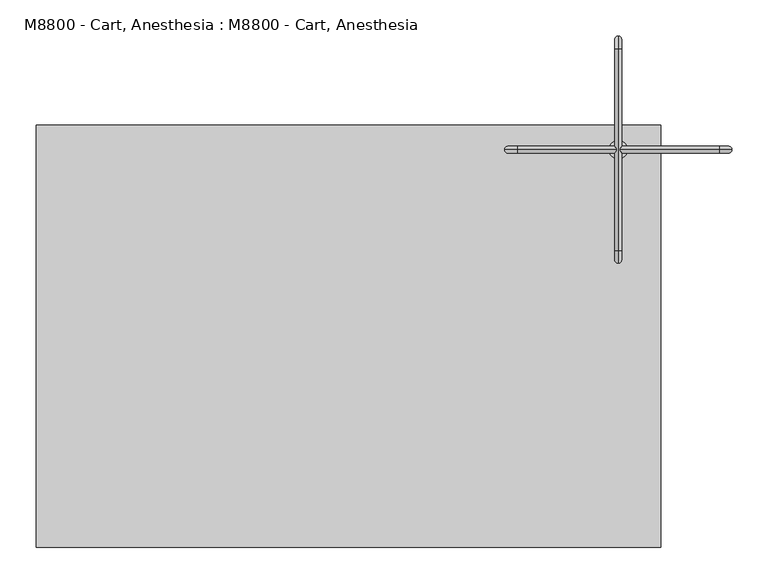
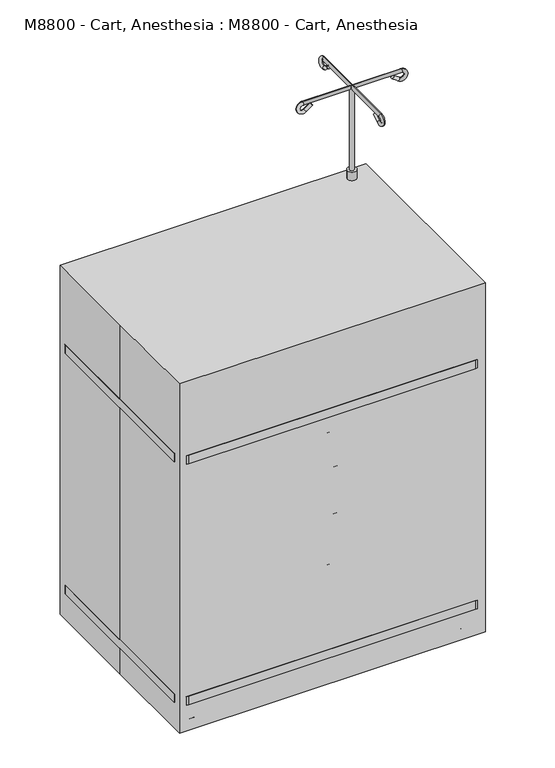
"""IFC4 building model written with IfcOpenShell, lengths in millimetres: proxy geometry, M8800 - Cart, Anesthesia : M8800 - Cart, Anesthesia."""

from ifc_helpers import new_model, si_unit, point, frame, frame_2d, origin, origin_with_axes, place, context, project, spatial, polyline, circle_curve, ellipse_curve, trimmed, segment, composite_curve, outline, extrude, source, transform, mapped, element, save
from ifc_brep_helpers import plane_surface, cylinder_surface, revolved_surface, advanced_brep


def m8800_cart_anesthesia_m8800_cart_anesthesia_55c53cb3(model_context):
    return source(origin(), model_context, "Body", "SolidModel", [
        extrude(outline(composite_curve([segment(trimmed(circle_curve(frame_2d((372.8549743, 257.8577972)), 6.35), [point((366.5049743, 257.8577972))], [point((379.2049743, 257.8577972))], False, "CARTESIAN"), True, "CONTINUOUS"), segment(trimmed(circle_curve(frame_2d((372.8549743, 257.8577972)), 6.35), [point((379.2049743, 257.8577972))], [point((366.5049743, 257.8577972))], False, "CARTESIAN"), True, "CONTINUOUS")], self_intersect=False)), frame((0.0, 0.0, 1066.8), z_axis=(0.0, 0.0, 1.0), x_axis=(1.0, 0.0, 0.0)), (0.0, 0.0, 1.0), 247.65),
        advanced_brep(
        [(372.8549743, 375.3332189, 1305.9580135), (372.8549743, 369.7574508, 1298.2355504), (372.8549743, 392.9113238, 1293.2662808), (372.8549743, 387.3355558, 1285.5438178), (372.8549743, 397.5577972, 1317.1641667), (372.8549743, 397.5577972, 1307.6391667), (372.8549743, 118.1577972, 1307.6391667), (372.8549743, 118.1577972, 1317.1641667), (372.8549743, 128.3800387, 1285.5438178), (372.8549743, 122.8042706, 1293.2662808), (372.8549743, 140.3823755, 1305.9580135), (372.8549743, 145.9581436, 1298.2355504)],
        [
            (0, 1, circle_curve(frame((372.8549743, 372.5453349, 1302.096782), z_axis=(0.0, -0.8107572744902805, 0.5853824748496425), x_axis=(0.0, -0.5853824748496425, -0.8107572744902805)), 4.7625)),
            (1, 0, circle_curve(frame((372.8549743, 372.5453349, 1302.096782), z_axis=(0.0, -0.8107572744902805, 0.5853824748496425), x_axis=(0.0, -0.5853824748496425, -0.8107572744902805)), 4.7625)),
            (0, 2),
            (2, 3, circle_curve(frame((372.8549743, 390.1234398, 1289.4050493), z_axis=(0.0, -0.8107572744902805, 0.5853824748496425), x_axis=(0.0, -0.5853824748496425, -0.8107572744902805)), 4.7625)),
            (3, 1),
            (3, 2, circle_curve(frame((372.8549743, 390.1234398, 1289.4050493), z_axis=(0.0, -0.8107572744902805, 0.5853824748496425), x_axis=(0.0, -0.5853824748496425, -0.8107572744902805)), 4.7625)),
            (4, 3, circle_curve(frame((372.8549743, 397.5577972, 1299.7016667), z_axis=(-1.0, 0.0, 0.0), x_axis=(0.0, -0.5853824748496496, -0.8107572744902752)), 17.4625)),
            (2, 5, circle_curve(frame((372.8549743, 397.5577972, 1299.7016667), z_axis=(1.0, 0.0, 0.0), x_axis=(0.0, -0.5853824748496496, -0.8107572744902752)), 7.9375)),
            (5, 4, circle_curve(frame((372.8549743, 397.5577972, 1312.4016667), z_axis=(0.0, 1.0, 0.0), x_axis=(0.0, 0.0, 1.0)), 4.7625)),
            (4, 5, circle_curve(frame((372.8549743, 397.5577972, 1312.4016667), z_axis=(0.0, 1.0, 0.0), x_axis=(0.0, 0.0, 1.0)), 4.7625)),
            (5, 6),
            (6, 7, circle_curve(frame((372.8549743, 118.1577972, 1312.4016667), z_axis=(0.0, 1.0, 0.0), x_axis=(0.0, 0.0, 1.0)), 4.7625)),
            (7, 4),
            (7, 6, circle_curve(frame((372.8549743, 118.1577972, 1312.4016667), z_axis=(0.0, 1.0, 0.0), x_axis=(0.0, 0.0, 1.0)), 4.7625)),
            (8, 7, circle_curve(frame((372.8549743, 118.1577972, 1299.7016667), z_axis=(-1.0, 0.0, 0.0), x_axis=(0.0, 0.0, 1.0)), 17.4625)),
            (6, 9, circle_curve(frame((372.8549743, 118.1577972, 1299.7016667), z_axis=(1.0, 0.0, 0.0), x_axis=(0.0, 0.0, 1.0)), 7.9375)),
            (9, 8, circle_curve(frame((372.8549743, 125.5921547, 1289.4050493), z_axis=(0.0, -0.8107572744906105, -0.585382474849185), x_axis=(0.0, 0.585382474849185, -0.8107572744906105)), 4.7625)),
            (8, 9, circle_curve(frame((372.8549743, 125.5921547, 1289.4050493), z_axis=(0.0, -0.8107572744895717, -0.5853824748506239), x_axis=(0.0, 0.5853824748506239, -0.8107572744895717)), 4.7625)),
            (10, 11, circle_curve(frame((372.8549743, 143.1702596, 1302.096782), z_axis=(0.0, 0.8107572744898957, 0.5853824748501752), x_axis=(0.0, 0.5853824748501752, -0.8107572744898957)), 4.7625)),
            (11, 10, circle_curve(frame((372.8549743, 143.1702596, 1302.096782), z_axis=(0.0, 0.8107572744898957, 0.5853824748501752), x_axis=(0.0, 0.5853824748501752, -0.8107572744898957)), 4.7625)),
            (9, 10),
            (11, 8),
        ],
        [
            plane_surface(frame((639.5549743, 372.5453349, 1302.096782), z_axis=(0.0, -0.8107572744902805, 0.5853824748496425), x_axis=(-1.0, 0.0, 0.0))),
            cylinder_surface(frame((372.8549743, 372.5453349, 1302.096782), z_axis=(0.0, -0.8107572744902805, 0.5853824748496425), x_axis=(0.0, -0.5853824748496425, -0.8107572744902805)), 4.7625),
            revolved_surface(trimmed(ellipse_curve(frame((372.8549743, 390.1234398, 1289.4050493), z_axis=(0.0, -0.8107572744902751, 0.5853824748496497), x_axis=(0.0, -0.5853824748496497, -0.8107572744902751)), 4.7625, 4.7625), [point((372.8549743, 392.9113238, 1293.2662808))], [point((372.8549743, 387.3355558, 1285.5438178))], True, "CARTESIAN"), (639.5549743, 397.5577972, 1299.7016667), (1.0, 0.0, 0.0)),
            revolved_surface(trimmed(ellipse_curve(frame((372.8549743, 390.1234398, 1289.4050493), z_axis=(0.0, -0.8107572744902751, 0.5853824748496497), x_axis=(0.0, -0.5853824748496497, -0.8107572744902751)), 4.7625, 4.7625), [point((372.8549743, 387.3355558, 1285.5438178))], [point((372.8549743, 392.9113238, 1293.2662808))], True, "CARTESIAN"), (639.5549743, 397.5577972, 1299.7016667), (1.0, 0.0, 0.0)),
            cylinder_surface(frame((372.8549743, 397.5577972, 1312.4016667), z_axis=(0.0, 1.0, 0.0), x_axis=(0.0, 0.0, 1.0)), 4.7625),
            revolved_surface(trimmed(ellipse_curve(frame((372.8549743, 118.1577972, 1312.4016667), z_axis=(0.0, 1.0, 0.0), x_axis=(0.0, 0.0, 1.0)), 4.7625, 4.7625), [point((372.8549743, 118.1577972, 1307.6391667))], [point((372.8549743, 118.1577972, 1317.1641667))], True, "CARTESIAN"), (639.5549743, 118.1577972, 1299.7016667), (1.0, 0.0, 0.0)),
            revolved_surface(trimmed(ellipse_curve(frame((372.8549743, 118.1577972, 1312.4016667), z_axis=(0.0, 1.0, 0.0), x_axis=(0.0, 0.0, 1.0)), 4.7625, 4.7625), [point((372.8549743, 118.1577972, 1317.1641667))], [point((372.8549743, 118.1577972, 1307.6391667))], True, "CARTESIAN"), (639.5549743, 118.1577972, 1299.7016667), (1.0, 0.0, 0.0)),
            plane_surface(frame((639.5549743, 143.1702596, 1302.096782), z_axis=(0.0, 0.8107572744898955, 0.5853824748501754), x_axis=(-1.0, 0.0, 0.0))),
            cylinder_surface(frame((372.8549743, 125.5921547, 1289.4050493), z_axis=(0.0, -0.8107572744898957, -0.5853824748501752), x_axis=(0.0, 0.5853824748501752, -0.8107572744898957)), 4.7625),
        ],
        [
            (0, [[1, 2]]),
            (1, [[-1, 3, 4, 5]]),
            (1, [[-2, -5, 6, -3]]),
            (2, [[7, -4, 8, 9]]),
            (3, [[-8, -6, -7, 10]]),
            (4, [[-9, 11, 12, 13]]),
            (4, [[-10, -13, 14, -11]]),
            (5, [[15, -12, 16, 17]]),
            (6, [[-16, -14, -15, 18]]),
            (7, [[19, 20]]),
            (8, [[-17, 21, -20, 22]]),
            (8, [[-18, -22, -19, -21]]),
        ],
    ),
        advanced_brep(
        [(255.3795526, 257.8577972, 1305.9580135), (260.9553207, 257.8577972, 1298.2355504), (237.8014477, 257.8577972, 1293.2662808), (243.3772158, 257.8577972, 1285.5438178), (233.1549743, 257.8577972, 1317.1641667), (233.1549743, 257.8577972, 1307.6391667), (512.5549743, 257.8577972, 1307.6391667), (512.5549743, 257.8577972, 1317.1641667), (502.3327328, 257.8577972, 1285.5438178), (507.9085009, 257.8577972, 1293.2662808), (490.330396, 257.8577972, 1305.9580135), (484.7546279, 257.8577972, 1298.2355504)],
        [
            (0, 1, circle_curve(frame((258.1674367, 257.8577972, 1302.096782), z_axis=(0.810757274490287, 0.0, 0.5853824748496332), x_axis=(0.5853824748496332, 0.0, -0.810757274490287)), 4.7625)),
            (1, 0, circle_curve(frame((258.1674367, 257.8577972, 1302.096782), z_axis=(0.810757274490287, 0.0, 0.5853824748496332), x_axis=(0.5853824748496332, 0.0, -0.810757274490287)), 4.7625)),
            (0, 2),
            (2, 3, circle_curve(frame((240.5893317, 257.8577972, 1289.4050493), z_axis=(0.810757274490287, 0.0, 0.5853824748496332), x_axis=(0.5853824748496332, 0.0, -0.810757274490287)), 4.7625)),
            (3, 1),
            (3, 2, circle_curve(frame((240.5893317, 257.8577972, 1289.4050493), z_axis=(0.810757274490287, 0.0, 0.5853824748496332), x_axis=(0.5853824748496332, 0.0, -0.810757274490287)), 4.7625)),
            (4, 3, circle_curve(frame((233.1549743, 257.8577972, 1299.7016667), z_axis=(0.0, -1.0, 0.0), x_axis=(0.5853824748496301, 0.0, -0.8107572744902892)), 17.4625)),
            (2, 5, circle_curve(frame((233.1549743, 257.8577972, 1299.7016667), z_axis=(0.0, 1.0, 0.0), x_axis=(0.5853824748496301, 0.0, -0.8107572744902892)), 7.9375)),
            (5, 4, circle_curve(frame((233.1549743, 257.8577972, 1312.4016667), z_axis=(-1.0, 0.0, 0.0), x_axis=(0.0, 0.0, 1.0)), 4.7625)),
            (4, 5, circle_curve(frame((233.1549743, 257.8577972, 1312.4016667), z_axis=(-1.0, 0.0, 0.0), x_axis=(0.0, 0.0, 1.0)), 4.7625)),
            (5, 6),
            (6, 7, circle_curve(frame((512.5549743, 257.8577972, 1312.4016667), z_axis=(-1.0, 0.0, 0.0), x_axis=(0.0, 0.0, 1.0)), 4.7625)),
            (7, 4),
            (7, 6, circle_curve(frame((512.5549743, 257.8577972, 1312.4016667), z_axis=(-1.0, 0.0, 0.0), x_axis=(0.0, 0.0, 1.0)), 4.7625)),
            (8, 7, circle_curve(frame((512.5549743, 257.8577972, 1299.7016667), z_axis=(0.0, -1.0, 0.0), x_axis=(0.0, 0.0, 1.0)), 17.4625)),
            (6, 9, circle_curve(frame((512.5549743, 257.8577972, 1299.7016667), z_axis=(0.0, 1.0, 0.0), x_axis=(0.0, 0.0, 1.0)), 7.9375)),
            (9, 8, circle_curve(frame((505.1206169, 257.8577972, 1289.4050493), z_axis=(0.8107572744899163, 0.0, -0.5853824748501466), x_axis=(-0.5853824748501466, 0.0, -0.8107572744899163)), 4.7625)),
            (8, 9, circle_curve(frame((505.1206169, 257.8577972, 1289.4050493), z_axis=(0.8107572744899113, 0.0, -0.5853824748501535), x_axis=(-0.5853824748501535, 0.0, -0.8107572744899113)), 4.7625)),
            (10, 11, circle_curve(frame((487.5425119, 257.8577972, 1302.096782), z_axis=(-0.8107572744899004, 0.0, 0.5853824748501685), x_axis=(-0.5853824748501685, 0.0, -0.8107572744899004)), 4.7625)),
            (11, 10, circle_curve(frame((487.5425119, 257.8577972, 1302.096782), z_axis=(-0.8107572744899004, 0.0, 0.5853824748501685), x_axis=(-0.5853824748501685, 0.0, -0.8107572744899004)), 4.7625)),
            (9, 10),
            (11, 8),
        ],
        [
            plane_surface(frame((258.1674367, 473.7577972, 1302.096782), z_axis=(0.810757274490287, 0.0, 0.5853824748496332), x_axis=(0.0, -1.0, 0.0))),
            cylinder_surface(frame((258.1674367, 257.8577972, 1302.096782), z_axis=(0.810757274490287, 0.0, 0.5853824748496332), x_axis=(0.5853824748496332, 0.0, -0.810757274490287)), 4.7625),
            revolved_surface(trimmed(ellipse_curve(frame((240.5893317, 257.8577972, 1289.4050493), z_axis=(0.8107572744902892, 0.0, 0.5853824748496301), x_axis=(0.5853824748496301, 0.0, -0.8107572744902892)), 4.7625, 4.7625), [point((237.8014477, 257.8577972, 1293.2662808))], [point((243.3772158, 257.8577972, 1285.5438178))], True, "CARTESIAN"), (233.1549743, 473.7577972, 1299.7016667), (0.0, 1.0, 0.0)),
            revolved_surface(trimmed(ellipse_curve(frame((240.5893317, 257.8577972, 1289.4050493), z_axis=(0.8107572744902892, 0.0, 0.5853824748496301), x_axis=(0.5853824748496301, 0.0, -0.8107572744902892)), 4.7625, 4.7625), [point((243.3772158, 257.8577972, 1285.5438178))], [point((237.8014477, 257.8577972, 1293.2662808))], True, "CARTESIAN"), (233.1549743, 473.7577972, 1299.7016667), (0.0, 1.0, 0.0)),
            cylinder_surface(frame((233.1549743, 257.8577972, 1312.4016667), z_axis=(-1.0, 0.0, 0.0), x_axis=(0.0, 0.0, 1.0)), 4.7625),
            revolved_surface(trimmed(ellipse_curve(frame((512.5549743, 257.8577972, 1312.4016667), z_axis=(-1.0, 0.0, 0.0), x_axis=(0.0, 0.0, 1.0)), 4.7625, 4.7625), [point((512.5549743, 257.8577972, 1307.6391667))], [point((512.5549743, 257.8577972, 1317.1641667))], True, "CARTESIAN"), (512.5549743, 473.7577972, 1299.7016667), (0.0, 1.0, 0.0)),
            revolved_surface(trimmed(ellipse_curve(frame((512.5549743, 257.8577972, 1312.4016667), z_axis=(-1.0, 0.0, 0.0), x_axis=(0.0, 0.0, 1.0)), 4.7625, 4.7625), [point((512.5549743, 257.8577972, 1317.1641667))], [point((512.5549743, 257.8577972, 1307.6391667))], True, "CARTESIAN"), (512.5549743, 473.7577972, 1299.7016667), (0.0, 1.0, 0.0)),
            plane_surface(frame((487.5425119, 473.7577972, 1302.096782), z_axis=(-0.8107572744899004, 0.0, 0.5853824748501685), x_axis=(0.0, -1.0, 0.0))),
            cylinder_surface(frame((505.1206169, 257.8577972, 1289.4050493), z_axis=(0.8107572744899004, 0.0, -0.5853824748501685), x_axis=(-0.5853824748501685, 0.0, -0.8107572744899004)), 4.7625),
        ],
        [
            (0, [[1, 2]]),
            (1, [[-1, 3, 4, 5]]),
            (1, [[-2, -5, 6, -3]]),
            (2, [[7, -4, 8, 9]]),
            (3, [[-8, -6, -7, 10]]),
            (4, [[-9, 11, 12, 13]]),
            (4, [[-10, -13, 14, -11]]),
            (5, [[15, -12, 16, 17]]),
            (6, [[-16, -14, -15, 18]]),
            (7, [[19, 20]]),
            (8, [[-17, 21, -20, 22]]),
            (8, [[-18, -22, -19, -21]]),
        ],
    ),
        extrude(outline(polyline([(820.0646026, -381.0), (820.0646026, -374.65), (966.1146026, -374.65), (966.1146026, 120.65), (820.0646026, 120.65), (820.0646026, 127.0), (972.4646026, 127.0), (972.4646026, -381.0), (820.0646026, -381.0)])), frame((0.0, 232.4577972, 0.0), z_axis=(0.0, 1.0, 0.0), x_axis=(0.0, 0.0, 1.0)), (0.0, 0.0, 1.0), 25.4),
        extrude(outline(composite_curve([segment(trimmed(circle_curve(frame_2d((404.3351605, 266.7)), 25.4), [point((404.3351605, 292.1))], [point((429.7351605, 266.7))], False, "CARTESIAN"), True, "CONTINUOUS"), segment(polyline([(429.7351605, 266.7), (429.7351605, -266.9423102)]), True, "CONTINUOUS"), segment(trimmed(circle_curve(frame_2d((404.3351605, -266.9423102)), 25.4), [point((429.7351605, -266.9423102))], [point((404.3351605, -292.3423102))], False, "CARTESIAN"), True, "CONTINUOUS"), segment(polyline([(404.3351605, -292.3423102), (-406.4, -292.3423102)]), True, "CONTINUOUS"), segment(trimmed(circle_curve(frame_2d((-406.4, -266.9423102)), 25.4), [point((-406.4, -292.3423102))], [point((-431.8, -266.9423102))], False, "CARTESIAN"), True, "CONTINUOUS"), segment(polyline([(-431.8, -266.9423102), (-431.8, 266.7)]), True, "CONTINUOUS"), segment(trimmed(circle_curve(frame_2d((-406.4, 266.7)), 25.4), [point((-431.8, 266.7))], [point((-406.4, 292.1))], False, "CARTESIAN"), True, "CONTINUOUS"), segment(polyline([(-406.4, 292.1), (404.3351605, 292.1)]), True, "CONTINUOUS")], self_intersect=False)), frame((0.0, 0.0, 794.6646026), z_axis=(0.0, 0.0, 1.0), x_axis=(1.0, 0.0, 0.0)), (0.0, 0.0, 1.0), 25.4),
        extrude(outline(polyline([(-387.35, 260.35), (387.35, 260.35), (387.35, 241.3), (-387.35, 241.3), (-387.35, 260.35)])), frame((0.0, 0.0, 101.6), z_axis=(0.0, 0.0, 1.0), x_axis=(1.0, 0.0, 0.0)), (0.0, 0.0, 1.0), 693.0646026),
        extrude(outline(polyline([(406.4, 260.35), (406.4, -247.65), (387.35, -247.65), (387.35, 260.35), (406.4, 260.35)])), frame((0.0, 0.0, 101.6), z_axis=(0.0, 0.0, 1.0), x_axis=(1.0, 0.0, 0.0)), (0.0, 0.0, 1.0), 693.0646026),
        extrude(outline(polyline([(-387.35, 260.35), (-387.35, -247.65), (-406.4, -247.65), (-406.4, 260.35), (-387.35, 260.35)])), frame((0.0, 0.0, 101.6), z_axis=(0.0, 0.0, 1.0), x_axis=(1.0, 0.0, 0.0)), (0.0, 0.0, 1.0), 693.0646026),
        extrude(outline(polyline([(228.6, 31.75), (215.9, 31.75), (208.0622657, 76.2), (236.4377343, 76.2), (228.6, 31.75)])), frame((-374.65, 0.0, 0.0), z_axis=(1.0, 0.0, 0.0), x_axis=(0.0, 1.0, 0.0)), (0.0, 0.0, 1.0), 3.175),
        extrude(outline(polyline([(228.6, 31.75), (215.9, 31.75), (208.0622657, 76.2), (236.4377343, 76.2), (228.6, 31.75)])), frame((-390.525, 0.0, 0.0), z_axis=(1.0, 0.0, 0.0), x_axis=(0.0, 1.0, 0.0)), (0.0, 0.0, 1.0), 3.175),
        extrude(outline(composite_curve([segment(trimmed(circle_curve(frame_2d((222.25, 31.75)), 31.75), [point((254.0, 31.75))], [point((190.5, 31.75))], False, "CARTESIAN"), True, "CONTINUOUS"), segment(trimmed(circle_curve(frame_2d((222.25, 31.75)), 31.75), [point((190.5, 31.75))], [point((254.0, 31.75))], False, "CARTESIAN"), True, "CONTINUOUS")], self_intersect=False)), frame((-387.35, 0.0, 0.0), z_axis=(1.0, 0.0, 0.0), x_axis=(0.0, 1.0, 0.0)), (0.0, 0.0, 1.0), 12.7),
        extrude(outline(polyline([(228.6, 31.75), (215.9, 31.75), (208.0622657, 76.2), (236.4377343, 76.2), (228.6, 31.75)])), frame((365.125, 0.0, 0.0), z_axis=(1.0, 0.0, 0.0), x_axis=(0.0, 1.0, 0.0)), (0.0, 0.0, 1.0), 3.175),
        extrude(outline(polyline([(228.6, 31.75), (215.9, 31.75), (208.0622657, 76.2), (236.4377343, 76.2), (228.6, 31.75)])), frame((381.0, 0.0, 0.0), z_axis=(1.0, 0.0, 0.0), x_axis=(0.0, 1.0, 0.0)), (0.0, 0.0, 1.0), 3.175),
        extrude(outline(composite_curve([segment(trimmed(circle_curve(frame_2d((222.25, 31.75)), 31.75), [point((254.0, 31.75))], [point((190.5, 31.75))], False, "CARTESIAN"), True, "CONTINUOUS"), segment(trimmed(circle_curve(frame_2d((222.25, 31.75)), 31.75), [point((190.5, 31.75))], [point((254.0, 31.75))], False, "CARTESIAN"), True, "CONTINUOUS")], self_intersect=False)), frame((368.3, 0.0, 0.0), z_axis=(1.0, 0.0, 0.0), x_axis=(0.0, 1.0, 0.0)), (0.0, 0.0, 1.0), 12.7),
        extrude(outline(composite_curve([segment(polyline([(76.2, -260.35), (86.3693377, -260.35)]), True, "CONTINUOUS"), segment(trimmed(circle_curve(frame_2d((0.0, -158.75)), 133.35), [point((86.3693377, -260.35))], [point((-86.3693377, -260.35))], False, "CARTESIAN"), True, "CONTINUOUS"), segment(polyline([(-86.3693377, -260.35), (-76.2, -260.35)]), True, "CONTINUOUS"), segment(trimmed(circle_curve(frame_2d((0.0, -158.75)), 127.0), [point((-76.2, -260.35))], [point((76.2, -260.35))], True, "CARTESIAN"), True, "CONTINUOUS")], self_intersect=False)), frame((0.0, 0.0, 736.6), z_axis=(0.0, 0.0, 1.0), x_axis=(1.0, 0.0, 0.0)), (0.0, 0.0, 1.0), 12.7),
        extrude(outline(polyline([(406.4, -260.35), (-406.4, -260.35), (-406.4, -247.65), (406.4, -247.65), (406.4, -260.35)])), frame((0.0, 0.0, 692.15), z_axis=(0.0, 0.0, 1.0), x_axis=(1.0, 0.0, 0.0)), (0.0, 0.0, 1.0), 101.6),
        extrude(outline(composite_curve([segment(polyline([(76.2, -260.35), (86.3693377, -260.35)]), True, "CONTINUOUS"), segment(trimmed(circle_curve(frame_2d((0.0, -158.75)), 133.35), [point((86.3693377, -260.35))], [point((-86.3693377, -260.35))], False, "CARTESIAN"), True, "CONTINUOUS"), segment(polyline([(-86.3693377, -260.35), (-76.2, -260.35)]), True, "CONTINUOUS"), segment(trimmed(circle_curve(frame_2d((0.0, -158.75)), 127.0), [point((-76.2, -260.35))], [point((76.2, -260.35))], True, "CARTESIAN"), True, "CONTINUOUS")], self_intersect=False)), frame((0.0, 0.0, 628.65), z_axis=(0.0, 0.0, 1.0), x_axis=(1.0, 0.0, 0.0)), (0.0, 0.0, 1.0), 12.7),
        extrude(outline(polyline([(406.4, -260.35), (-406.4, -260.35), (-406.4, -247.65), (406.4, -247.65), (406.4, -260.35)])), frame((0.0, 0.0, 584.2), z_axis=(0.0, 0.0, 1.0), x_axis=(1.0, 0.0, 0.0)), (0.0, 0.0, 1.0), 101.6),
        extrude(outline(composite_curve([segment(polyline([(76.2, -260.35), (86.3693377, -260.35)]), True, "CONTINUOUS"), segment(trimmed(circle_curve(frame_2d((0.0, -158.75)), 133.35), [point((86.3693377, -260.35))], [point((-86.3693377, -260.35))], False, "CARTESIAN"), True, "CONTINUOUS"), segment(polyline([(-86.3693377, -260.35), (-76.2, -260.35)]), True, "CONTINUOUS"), segment(trimmed(circle_curve(frame_2d((0.0, -158.75)), 127.0), [point((-76.2, -260.35))], [point((76.2, -260.35))], True, "CARTESIAN"), True, "CONTINUOUS")], self_intersect=False)), frame((0.0, 0.0, 342.9), z_axis=(0.0, 0.0, 1.0), x_axis=(1.0, 0.0, 0.0)), (0.0, 0.0, 1.0), 12.7),
        extrude(outline(composite_curve([segment(polyline([(75.4687748, -260.35), (85.6381125, -260.35)]), True, "CONTINUOUS"), segment(trimmed(circle_curve(frame_2d((-0.7312252, -158.75)), 133.35), [point((85.6381125, -260.35))], [point((-87.1005629, -260.35))], False, "CARTESIAN"), True, "CONTINUOUS"), segment(polyline([(-87.1005629, -260.35), (-76.9312252, -260.35)]), True, "CONTINUOUS"), segment(trimmed(circle_curve(frame_2d((-0.7312252, -158.75)), 127.0), [point((-76.9312252, -260.35))], [point((75.4687748, -260.35))], True, "CARTESIAN"), True, "CONTINUOUS")], self_intersect=False)), frame((0.0, 0.0, 488.95), z_axis=(0.0, 0.0, 1.0), x_axis=(1.0, 0.0, 0.0)), (0.0, 0.0, 1.0), 12.7),
        extrude(outline(polyline([(406.4, -260.35), (-406.4, -260.35), (-406.4, -247.65), (406.4, -247.65), (406.4, -260.35)])), frame((0.0, 0.0, 101.6), z_axis=(0.0, 0.0, 1.0), x_axis=(1.0, 0.0, 0.0)), (0.0, 0.0, 1.0), 304.8),
        extrude(outline(polyline([(406.4, -260.35), (-406.4, -260.35), (-406.4, -247.65), (406.4, -247.65), (406.4, -260.35)])), frame((0.0, 0.0, 412.75), z_axis=(0.0, 0.0, 1.0), x_axis=(1.0, 0.0, 0.0)), (0.0, 0.0, 1.0), 165.1),
        extrude(outline(polyline([(-247.65, 31.75), (-255.4877343, 76.2), (-227.1122657, 76.2), (-234.95, 31.75), (-247.65, 31.75)])), frame((-374.65, 0.0, 0.0), z_axis=(1.0, 0.0, 0.0), x_axis=(0.0, 1.0, 0.0)), (0.0, 0.0, 1.0), 3.175),
        extrude(outline(polyline([(-247.65, 31.75), (-255.4877343, 76.2), (-227.1122657, 76.2), (-234.95, 31.75), (-247.65, 31.75)])), frame((-390.525, 0.0, 0.0), z_axis=(1.0, 0.0, 0.0), x_axis=(0.0, 1.0, 0.0)), (0.0, 0.0, 1.0), 3.175),
        extrude(outline(composite_curve([segment(trimmed(circle_curve(frame_2d((-241.3, 31.75)), 31.75), [point((-273.05, 31.75))], [point((-209.55, 31.75))], False, "CARTESIAN"), True, "CONTINUOUS"), segment(trimmed(circle_curve(frame_2d((-241.3, 31.75)), 31.75), [point((-209.55, 31.75))], [point((-273.05, 31.75))], False, "CARTESIAN"), True, "CONTINUOUS")], self_intersect=False)), frame((-387.35, 0.0, 0.0), z_axis=(1.0, 0.0, 0.0), x_axis=(0.0, 1.0, 0.0)), (0.0, 0.0, 1.0), 12.7),
        extrude(outline(polyline([(-247.65, 31.75), (-255.4877343, 76.2), (-227.1122657, 76.2), (-234.95, 31.75), (-247.65, 31.75)])), frame((365.125, 0.0, 0.0), z_axis=(1.0, 0.0, 0.0), x_axis=(0.0, 1.0, 0.0)), (0.0, 0.0, 1.0), 3.175),
        extrude(outline(polyline([(-247.65, 31.75), (-255.4877343, 76.2), (-227.1122657, 76.2), (-234.95, 31.75), (-247.65, 31.75)])), frame((381.0, 0.0, 0.0), z_axis=(1.0, 0.0, 0.0), x_axis=(0.0, 1.0, 0.0)), (0.0, 0.0, 1.0), 3.175),
        extrude(outline(composite_curve([segment(trimmed(circle_curve(frame_2d((-241.3, 31.75)), 31.75), [point((-273.05, 31.75))], [point((-209.55, 31.75))], False, "CARTESIAN"), True, "CONTINUOUS"), segment(trimmed(circle_curve(frame_2d((-241.3, 31.75)), 31.75), [point((-209.55, 31.75))], [point((-273.05, 31.75))], False, "CARTESIAN"), True, "CONTINUOUS")], self_intersect=False)), frame((368.3, 0.0, 0.0), z_axis=(1.0, 0.0, 0.0), x_axis=(0.0, 1.0, 0.0)), (0.0, 0.0, 1.0), 12.7),
        extrude(outline(composite_curve([segment(trimmed(circle_curve(frame_2d((372.8549743, 257.8577972)), 12.7), [point((360.1549743, 257.8577972))], [point((385.5549743, 257.8577972))], False, "CARTESIAN"), True, "CONTINUOUS"), segment(trimmed(circle_curve(frame_2d((372.8549743, 257.8577972)), 12.7), [point((385.5549743, 257.8577972))], [point((360.1549743, 257.8577972))], False, "CARTESIAN"), True, "CONTINUOUS")], self_intersect=False)), frame((0.0, 0.0, 820.0646026), z_axis=(0.0, 0.0, 1.0), x_axis=(1.0, 0.0, 0.0)), (0.0, 0.0, 1.0), 246.7353974),
        extrude(outline(composite_curve([segment(trimmed(circle_curve(frame_2d((404.3351605, 266.7)), 25.4), [point((404.3351605, 292.1))], [point((429.7351605, 266.7))], False, "CARTESIAN"), True, "CONTINUOUS"), segment(polyline([(429.7351605, 266.7), (429.7351605, -266.9423102)]), True, "CONTINUOUS"), segment(trimmed(circle_curve(frame_2d((404.3351605, -266.9423102)), 25.4), [point((429.7351605, -266.9423102))], [point((404.3351605, -292.3423102))], False, "CARTESIAN"), True, "CONTINUOUS"), segment(polyline([(404.3351605, -292.3423102), (-406.4, -292.3423102)]), True, "CONTINUOUS"), segment(trimmed(circle_curve(frame_2d((-406.4, -266.9423102)), 25.4), [point((-406.4, -292.3423102))], [point((-431.8, -266.9423102))], False, "CARTESIAN"), True, "CONTINUOUS"), segment(polyline([(-431.8, -266.9423102), (-431.8, 266.7)]), True, "CONTINUOUS"), segment(trimmed(circle_curve(frame_2d((-406.4, 266.7)), 25.4), [point((-431.8, 266.7))], [point((-406.4, 292.1))], False, "CARTESIAN"), True, "CONTINUOUS"), segment(polyline([(-406.4, 292.1), (404.3351605, 292.1)]), True, "CONTINUOUS")], self_intersect=False)), frame((0.0, 0.0, 76.2), z_axis=(0.0, 0.0, 1.0), x_axis=(1.0, 0.0, 0.0)), (0.0, 0.0, 1.0), 25.4),
        extrude(outline(polyline([(-431.8, 292.1), (431.8, 292.1), (431.8, -292.1), (-431.8, -292.1), (-431.8, 0.0), (-431.8, 292.1)])), origin_with_axes(), (0.0, 0.0, 1.0), 1041.4),
    ])


if __name__ == "__main__":
    model = new_model("IFC4")
    model_context = context("Model", 3, world=origin())
    ifc_project = project(units=[si_unit("LENGTHUNIT", "METRE", prefix="MILLI")], contexts=[model_context])
    site = spatial("IfcSite", under=ifc_project)
    building = spatial("IfcBuilding", under=site)
    placement = place(None, origin())
    m8800_cart_anesthesia_m8800_cart_anesthesia_shape = m8800_cart_anesthesia_m8800_cart_anesthesia_55c53cb3(model_context)
    element("IfcBuildingElementProxy", 1, Name="M8800 - Cart, Anesthesia : M8800 - Cart, Anesthesia", ObjectType="M8800 - Cart, Anesthesia : M8800 - Cart, Anesthesia", at=placement, inside=building, context=model_context, shape_type="MappedRepresentation", body=[
        mapped(m8800_cart_anesthesia_m8800_cart_anesthesia_shape, transform((0.0, 0.0, 0.0), x_axis=(1.0, 0.0, 0.0), y_axis=(0.0, 1.0, 0.0), z_axis=(0.0, 0.0, 1.0))),
    ])
    save(model, "model.ifc")
